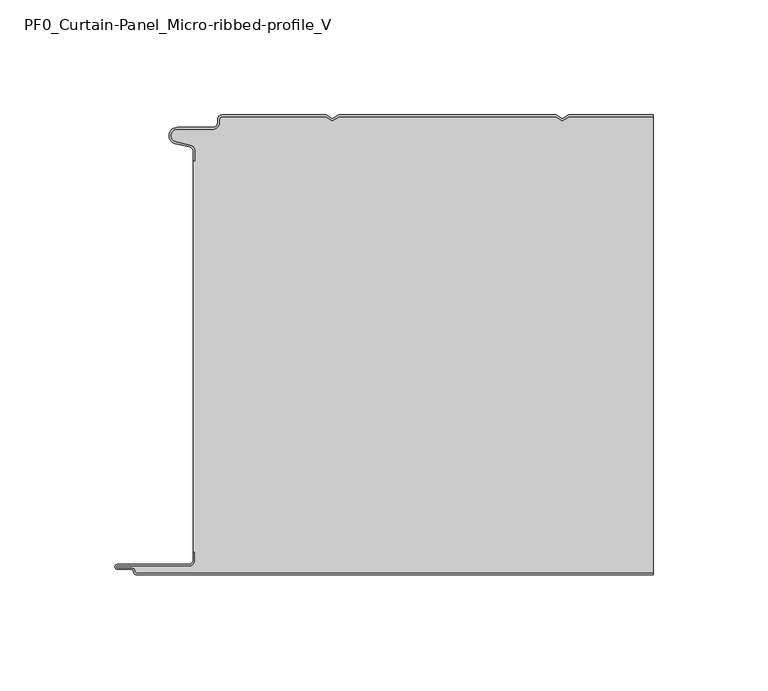
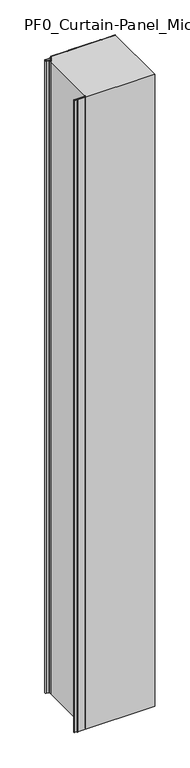
"""IFC4 building model written with IfcOpenShell, lengths in millimetres: plate geometry, PF0_Curtain-Panel_Micro-ribbed-profile_V."""

from ifc_helpers import new_model, si_unit, point, frame_2d, origin, origin_with_axes, place, context, project, spatial, polyline, circle_curve, trimmed, segment, composite_curve, outline, extrude, source, transform, mapped, element, save


def pf0_curtain_panel_micro_ribbed_profile_v_b653ae3c(model_context):
    return source(origin(), model_context, "Body", "SweptSolid", [
        extrude(outline(composite_curve([segment(trimmed(circle_curve(frame_2d((-102.0119739, -15.878557)), 2.0), [point((-100.0119739, -15.878557))], [point((-101.5620718, -13.9298169))], True, "CARTESIAN"), True, "CONTINUOUS"), segment(polyline([(-101.5620718, -13.9298169), (-107.7217978, -12.507732)]), True, "CONTINUOUS"), segment(trimmed(circle_curve(frame_2d((-106.9119739, -9.0)), 3.6), [point((-107.7217978, -12.507732))], [point((-106.9119739, -5.4))], False, "CARTESIAN"), True, "CONTINUOUS"), segment(polyline([(-106.9119739, -5.4), (-91.4119739, -5.4)]), True, "CONTINUOUS"), segment(trimmed(circle_curve(frame_2d((-91.4119739, -3.4)), 2.0), [point((-91.4119739, -5.4))], [point((-89.4119739, -3.4))], True, "CARTESIAN"), True, "CONTINUOUS"), segment(polyline([(-89.4119739, -3.4), (-89.4119739, -2.0)]), True, "CONTINUOUS"), segment(trimmed(circle_curve(frame_2d((-87.4119739, -2.0)), 2.0), [point((-89.4119739, -2.0))], [point((-87.4119739, 0.0))], False, "CARTESIAN"), True, "CONTINUOUS"), segment(polyline([(-87.4119739, 0.0), (-42.1119734, 0.0), (-39.4119739, -1.5588455), (-36.7119745, 0.0), (57.8880266, 0.0), (60.5880261, -1.5588455), (63.2880255, 0.0), (100.0119739, 0.0), (100.0119739, -0.8), (63.5023849, -0.8), (60.5880261, -2.482606), (57.6736672, -0.8), (-36.4976151, -0.8), (-39.4119739, -2.482606), (-42.3263328, -0.8), (-87.4119739, -0.8)]), True, "CONTINUOUS"), segment(trimmed(circle_curve(frame_2d((-87.4119739, -2.0)), 1.2), [point((-87.4119739, -0.8))], [point((-88.6119739, -2.0))], True, "CARTESIAN"), True, "CONTINUOUS"), segment(polyline([(-88.6119739, -2.0), (-88.6119739, -3.4)]), True, "CONTINUOUS"), segment(trimmed(circle_curve(frame_2d((-91.4119739, -3.4)), 2.8), [point((-88.6119739, -3.4))], [point((-91.4119739, -6.2))], False, "CARTESIAN"), True, "CONTINUOUS"), segment(polyline([(-91.4119739, -6.2), (-106.9119739, -6.2)]), True, "CONTINUOUS"), segment(trimmed(circle_curve(frame_2d((-106.9119739, -9.0)), 2.8), [point((-106.9119739, -6.2))], [point((-107.541837, -11.7282362))], True, "CARTESIAN"), True, "CONTINUOUS"), segment(polyline([(-107.541837, -11.7282362), (-101.3821109, -13.150321)]), True, "CONTINUOUS"), segment(trimmed(circle_curve(frame_2d((-102.0119739, -15.878557)), 2.8), [point((-101.3821109, -13.150321))], [point((-99.2119739, -15.878557))], False, "CARTESIAN"), True, "CONTINUOUS"), segment(polyline([(-99.2119739, -15.878557), (-99.2119739, -20.0), (-100.0119739, -20.0), (-100.0119739, -15.878557)]), True, "CONTINUOUS")], self_intersect=False)), origin_with_axes(), (0.0, 0.0, 1.0), 1945.7507136),
        extrude(outline(composite_curve([segment(polyline([(-99.2119739, -190.0), (-100.0119739, -190.0), (-100.0119739, -20.0), (-99.2119739, -20.0), (-99.2119739, -15.878557)]), True, "CONTINUOUS"), segment(trimmed(circle_curve(frame_2d((-102.0119739, -15.878557)), 2.8), [point((-99.2119739, -15.878557))], [point((-101.3821109, -13.1503208))], True, "CARTESIAN"), True, "CONTINUOUS"), segment(polyline([(-101.3821109, -13.1503208), (-107.5418369, -11.7282362)]), True, "CONTINUOUS"), segment(trimmed(circle_curve(frame_2d((-106.9119739, -9.0)), 2.8), [point((-107.5418369, -11.7282362))], [point((-106.9119739, -6.2))], False, "CARTESIAN"), True, "CONTINUOUS"), segment(polyline([(-106.9119739, -6.2), (-91.4119739, -6.2)]), True, "CONTINUOUS"), segment(trimmed(circle_curve(frame_2d((-91.4119739, -3.4)), 2.8), [point((-91.4119739, -6.2))], [point((-88.6119739, -3.4))], True, "CARTESIAN"), True, "CONTINUOUS"), segment(polyline([(-88.6119739, -3.4), (-88.6119739, -2.0)]), True, "CONTINUOUS"), segment(trimmed(circle_curve(frame_2d((-87.4119739, -2.0)), 1.2), [point((-88.6119739, -2.0))], [point((-87.4119739, -0.8))], False, "CARTESIAN"), True, "CONTINUOUS"), segment(polyline([(-87.4119739, -0.8), (-42.3263328, -0.8), (-39.4119739, -2.482606), (-36.4976151, -0.8), (57.6736672, -0.8), (60.5880261, -2.482606), (63.5023849, -0.8), (100.0119739, -0.8), (100.0119739, -199.2), (-124.4119739, -199.2)]), True, "CONTINUOUS"), segment(trimmed(circle_curve(frame_2d((-124.4119739, -198.4)), 0.8), [point((-124.4119739, -199.2))], [point((-125.2119739, -198.4))], False, "CARTESIAN"), True, "CONTINUOUS"), segment(trimmed(circle_curve(frame_2d((-126.9119739, -198.6133333)), 1.7133333), [point((-125.2119739, -198.4))], [point((-126.9119739, -196.9))], True, "CARTESIAN"), True, "CONTINUOUS"), segment(polyline([(-126.9119739, -196.9), (-132.8820051, -196.9)]), True, "CONTINUOUS"), segment(trimmed(circle_curve(frame_2d((-132.8820051, -196.6)), 0.3), [point((-132.8820051, -196.9))], [point((-132.8820051, -196.3))], False, "CARTESIAN"), True, "CONTINUOUS"), segment(polyline([(-132.8820051, -196.3), (-102.0119739, -196.3)]), True, "CONTINUOUS"), segment(trimmed(circle_curve(frame_2d((-102.0119739, -193.5)), 2.8), [point((-102.0119739, -196.3))], [point((-99.2119739, -193.5))], True, "CARTESIAN"), True, "CONTINUOUS"), segment(polyline([(-99.2119739, -193.5), (-99.2119739, -190.0)]), True, "CONTINUOUS")], self_intersect=False)), origin_with_axes(), (0.0, 0.0, 1.0), 1945.7507136),
        extrude(outline(composite_curve([segment(polyline([(-100.0119739, -190.0), (-99.2119739, -190.0), (-99.2119739, -193.5)]), True, "CONTINUOUS"), segment(trimmed(circle_curve(frame_2d((-102.0119739, -193.5)), 2.8), [point((-99.2119739, -193.5))], [point((-102.0119739, -196.3))], False, "CARTESIAN"), True, "CONTINUOUS"), segment(polyline([(-102.0119739, -196.3), (-132.8820051, -196.3)]), True, "CONTINUOUS"), segment(trimmed(circle_curve(frame_2d((-132.8820051, -196.6)), 0.3), [point((-132.8820051, -196.3))], [point((-132.8820051, -196.9))], True, "CARTESIAN"), True, "CONTINUOUS"), segment(polyline([(-132.8820051, -196.9), (-126.9119739, -196.9)]), True, "CONTINUOUS"), segment(trimmed(circle_curve(frame_2d((-126.9119739, -198.6133333)), 1.7133333), [point((-126.9119739, -196.9))], [point((-125.2119739, -198.4))], False, "CARTESIAN"), True, "CONTINUOUS"), segment(trimmed(circle_curve(frame_2d((-124.4119739, -198.4)), 0.8), [point((-125.2119739, -198.4))], [point((-124.4119739, -199.2))], True, "CARTESIAN"), True, "CONTINUOUS"), segment(polyline([(-124.4119739, -199.2), (100.0119739, -199.2), (100.0119739, -200.0), (-124.4119739, -200.0)]), True, "CONTINUOUS"), segment(trimmed(circle_curve(frame_2d((-124.4119739, -198.4)), 1.6), [point((-124.4119739, -200.0))], [point((-126.0119739, -198.4))], False, "CARTESIAN"), True, "CONTINUOUS"), segment(trimmed(circle_curve(frame_2d((-126.9119739, -198.4)), 0.9), [point((-126.0119739, -198.4))], [point((-126.9119739, -197.5))], True, "CARTESIAN"), True, "CONTINUOUS"), segment(polyline([(-126.9119739, -197.5), (-133.0119739, -197.5)]), True, "CONTINUOUS"), segment(trimmed(circle_curve(frame_2d((-133.0119739, -196.5)), 1.0), [point((-133.0119739, -197.5))], [point((-133.0119739, -195.5))], False, "CARTESIAN"), True, "CONTINUOUS"), segment(polyline([(-133.0119739, -195.5), (-102.0119739, -195.5)]), True, "CONTINUOUS"), segment(trimmed(circle_curve(frame_2d((-102.0119739, -193.5)), 2.0), [point((-102.0119739, -195.5))], [point((-100.0119739, -193.5))], True, "CARTESIAN"), True, "CONTINUOUS"), segment(polyline([(-100.0119739, -193.5), (-100.0119739, -190.0)]), True, "CONTINUOUS")], self_intersect=False)), origin_with_axes(), (0.0, 0.0, 1.0), 1945.7507136),
    ])


if __name__ == "__main__":
    model = new_model("IFC4")
    model_context = context("Model", 3, world=origin())
    ifc_project = project(units=[si_unit("LENGTHUNIT", "METRE", prefix="MILLI")], contexts=[model_context])
    site = spatial("IfcSite", under=ifc_project)
    building = spatial("IfcBuilding", under=site)
    placement = place(None, origin())
    pf0_curtain_panel_micro_ribbed_profile_v_shape = pf0_curtain_panel_micro_ribbed_profile_v_b653ae3c(model_context)
    element("IfcPlate", 1, ObjectType="PF0_Curtain-Panel_Micro-ribbed-profile_V", at=placement, inside=building, context=model_context, shape_type="MappedRepresentation", body=[
        mapped(pf0_curtain_panel_micro_ribbed_profile_v_shape, transform((0.0, 0.0, 0.0), x_axis=(1.0, 0.0, 0.0), y_axis=(0.0, 1.0, 0.0), z_axis=(0.0, 0.0, 1.0))),
    ])
    save(model, "model.ifc")
